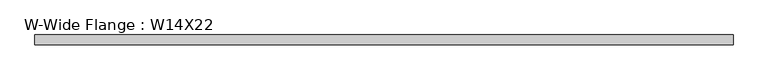
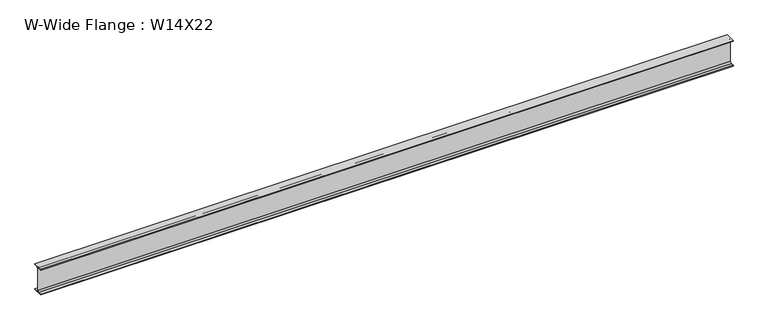
"""IFC4 building model written with IfcOpenShell, lengths in millimetres: beam geometry, W-Wide Flange : W14X22."""

from ifc_helpers import new_model, si_unit, point, frame, frame_2d, origin, place, context, project, spatial, polyline, circle_curve, trimmed, segment, composite_curve, outline, extrude, source, transform, mapped, element, save


def w_wide_flange_w14x22_8f948f5a(model_context):
    return source(origin(), model_context, "Body", "SweptSolid", [
        extrude(outline(composite_curve([segment(polyline([(63.5, -165.4472656), (63.5, -173.9800781), (-63.5, -173.9800781), (-63.5, -165.4472656), (-21.3816406, -165.4472656)]), True, "CONTINUOUS"), segment(trimmed(circle_curve(frame_2d((-21.3816406, -146.9925781)), 18.4546875), [point((-21.3816406, -165.4472656))], [point((-2.9269531, -146.9925781))], True, "CARTESIAN"), True, "CONTINUOUS"), segment(polyline([(-2.9269531, -146.9925781), (-2.9269531, 146.9925781)]), True, "CONTINUOUS"), segment(trimmed(circle_curve(frame_2d((-21.3816406, 146.9925781)), 18.4546875), [point((-2.9269531, 146.9925781))], [point((-21.3816406, 165.4472656))], True, "CARTESIAN"), True, "CONTINUOUS"), segment(polyline([(-21.3816406, 165.4472656), (-63.5, 165.4472656), (-63.5, 173.9800781), (63.5, 173.9800781), (63.5, 165.4472656), (21.3816406, 165.4472656)]), True, "CONTINUOUS"), segment(trimmed(circle_curve(frame_2d((21.3816406, 146.9925781)), 18.4546875), [point((21.3816406, 165.4472656))], [point((2.9269531, 146.9925781))], True, "CARTESIAN"), True, "CONTINUOUS"), segment(polyline([(2.9269531, 146.9925781), (2.9269531, -146.9925781)]), True, "CONTINUOUS"), segment(trimmed(circle_curve(frame_2d((21.3816406, -146.9925781)), 18.4546875), [point((2.9269531, -146.9925781))], [point((21.3816406, -165.4472656))], True, "CARTESIAN"), True, "CONTINUOUS"), segment(polyline([(21.3816406, -165.4472656), (63.5, -165.4472656)]), True, "CONTINUOUS")], self_intersect=False)), frame((-4476.353125, 0.0, 0.0), z_axis=(1.0, 0.0, 0.0), x_axis=(0.0, 1.0, 0.0)), (0.0, 0.0, 1.0), 8930.6300781),
    ])


if __name__ == "__main__":
    model = new_model("IFC4")
    model_context = context("Model", 3, world=origin())
    ifc_project = project(units=[si_unit("LENGTHUNIT", "METRE", prefix="MILLI")], contexts=[model_context])
    site = spatial("IfcSite", under=ifc_project)
    building = spatial("IfcBuilding", under=site)
    placement = place(None, origin())
    w_wide_flange_w14x22_shape = w_wide_flange_w14x22_8f948f5a(model_context)
    element("IfcBeam", 1, ObjectType="W-Wide Flange : W14X22", at=placement, inside=building, context=model_context, shape_type="MappedRepresentation", body=[
        mapped(w_wide_flange_w14x22_shape, transform((0.0, 0.0, 0.0), x_axis=(1.0, 0.0, 0.0), y_axis=(0.0, 1.0, 0.0), z_axis=(0.0, 0.0, 1.0))),
    ])
    save(model, "model.ifc")
